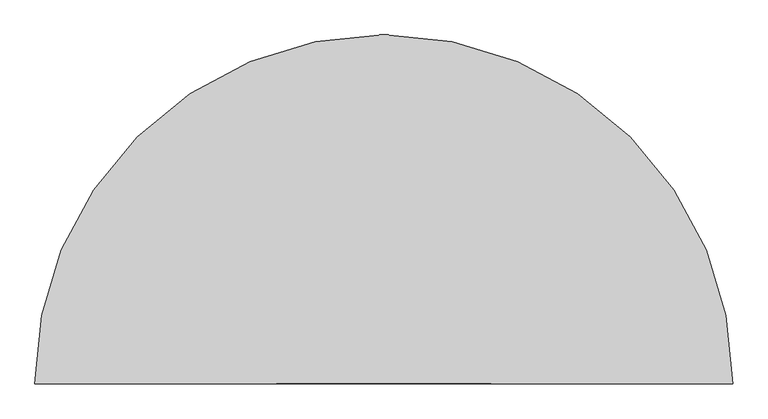
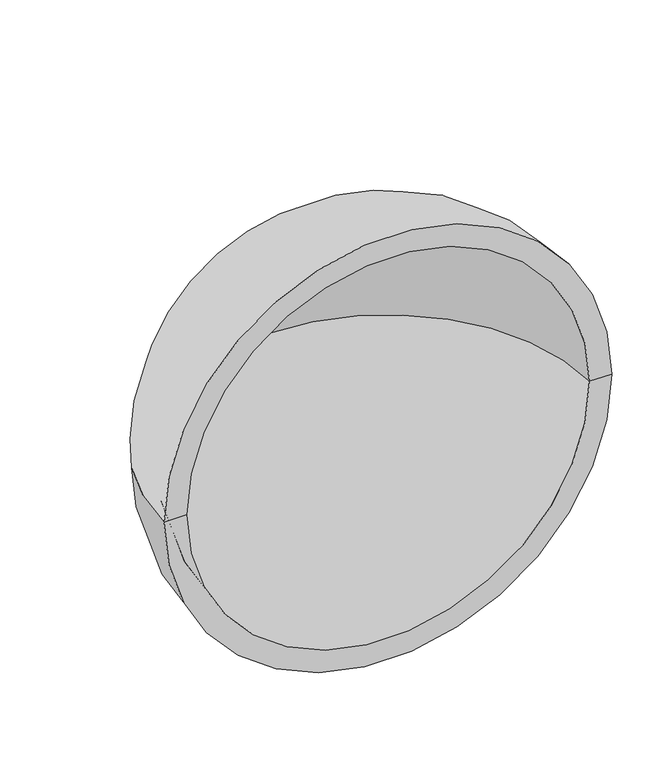
"""IFC4 building model written with IfcOpenShell, lengths in millimetres: proxy geometry."""

from ifc_helpers import new_model, si_unit, point, frame, origin, place, context, project, spatial, circle_curve, ellipse_curve, trimmed, source, transform, mapped, element, save
from ifc_brep_helpers import plane_surface, revolved_surface, advanced_brep


def generic_models_445c9b87(model_context):
    return source(origin(), model_context, "Body", "AdvancedBrep", [
        advanced_brep(
        [(37288.1440241, 1000.0, 0.0), (35288.1440241, 1000.0, 0.0), (36288.1440241, 2000.0, 0.0), (37188.1440241, 1000.0, 0.0), (35388.1440241, 1000.0, 0.0), (36288.1440241, 1900.0, 0.0)],
        [
            (0, 1, circle_curve(frame((36288.1440241, 1000.0, 0.0), z_axis=(0.0, 1.0, 0.0), x_axis=(-1.0, 0.0, 0.0)), 1000.0)),
            (1, 2, circle_curve(frame((36288.1440241, 1000.0, 0.0), z_axis=(0.0, 0.0, -1.0), x_axis=(1.0, 0.0, 0.0)), 1000.0)),
            (2, 0, circle_curve(frame((36288.1440241, 1000.0, 0.0), z_axis=(0.0, 0.0, -1.0), x_axis=(-1.0, 0.0, 0.0)), 1000.0)),
            (1, 0, circle_curve(frame((36288.1440241, 1000.0, 0.0), z_axis=(0.0, 1.0, 0.0), x_axis=(-1.0, 0.0, 0.0)), 1000.0)),
            (3, 4, circle_curve(frame((36288.1440241, 1000.0, 0.0), z_axis=(0.0, 1.0, 0.0), x_axis=(-1.0, 0.0, 0.0)), 900.0)),
            (4, 1),
            (0, 3),
            (4, 3, circle_curve(frame((36288.1440241, 1000.0, 0.0), z_axis=(0.0, 1.0, 0.0), x_axis=(-1.0, 0.0, 0.0)), 900.0)),
            (5, 4, circle_curve(frame((36288.1440241, 1000.0, 0.0), z_axis=(0.0, 0.0, 1.0), x_axis=(1.0, 0.0, 0.0)), 900.0)),
            (3, 5, circle_curve(frame((36288.1440241, 1000.0, 0.0), z_axis=(0.0, 0.0, 1.0), x_axis=(-1.0, 0.0, 0.0)), 900.0)),
        ],
        [
            revolved_surface(trimmed(ellipse_curve(frame((36288.1440241, 1000.0, 0.0), z_axis=(0.0, 0.0, 1.0), x_axis=(1.0, 0.0, 0.0)), 1000.0, 1000.0), [point((36288.1440241, 2000.0, 0.0))], [point((35288.1440241, 1000.0, 0.0))], True, "CARTESIAN"), (36288.1440241, 941.3794929, 0.0), (0.0, -1.0, 0.0)),
            plane_surface(frame((36288.1440241, 1000.0, 0.0), z_axis=(0.0, -1.0, 0.0), x_axis=(-1.0, 0.0, 0.0))),
            revolved_surface(trimmed(ellipse_curve(frame((36288.1440241, 1000.0, 0.0), z_axis=(0.0, 0.0, -1.0), x_axis=(1.0, 0.0, 0.0)), 900.0, 900.0), [point((35388.1440241, 1000.0, 0.0))], [point((36288.1440241, 1900.0, 0.0))], True, "CARTESIAN"), (36288.1440241, 941.3794929, 0.0), (0.0, -1.0, 0.0)),
        ],
        [
            (0, [[1, 2, 3]]),
            (0, [[4, -3, -2]]),
            (1, [[5, 6, -1, 7]]),
            (1, [[8, -7, -4, -6]]),
            (2, [[9, -5, 10]]),
            (2, [[-10, -8, -9]]),
        ],
    ),
    ])


if __name__ == "__main__":
    model = new_model("IFC4")
    model_context = context("Model", 3, world=origin())
    ifc_project = project(units=[si_unit("LENGTHUNIT", "METRE", prefix="MILLI")], contexts=[model_context])
    site = spatial("IfcSite", under=ifc_project)
    building = spatial("IfcBuilding", under=site)
    placement = place(None, origin())
    generic_models_shape = generic_models_445c9b87(model_context)
    element("IfcBuildingElementProxy", 1, Name="Generic Models", at=placement, inside=building, context=model_context, shape_type="MappedRepresentation", body=[
        mapped(generic_models_shape, transform((0.0, 0.0, 0.0), x_axis=(1.0, 0.0, 0.0), y_axis=(0.0, 1.0, 0.0), z_axis=(0.0, 0.0, 1.0))),
    ])
    save(model, "model.ifc")
